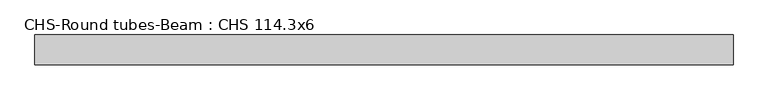
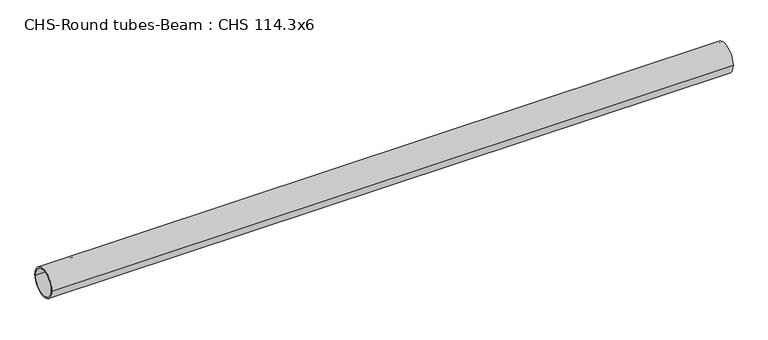
"""IFC4 building model written with IfcOpenShell, lengths in millimetres: beam geometry, CHS-Round tubes-Beam : CHS 114.3x6."""

from ifc_helpers import new_model, si_unit, point, frame, origin, origin_2d, place, context, project, spatial, circle_curve, trimmed, segment, composite_curve, outline, extrude, source, transform, mapped, element, save


def chs_round_tubes_beam_chs_114_3x6_77fe3665(model_context):
    return source(origin(), model_context, "Body", "SweptSolid", [
        extrude(outline(composite_curve([segment(trimmed(circle_curve(origin_2d(), 57.15), [point((57.15, 0.0))], [point((-57.15, 0.0))], False, "CARTESIAN"), True, "CONTINUOUS"), segment(trimmed(circle_curve(origin_2d(), 57.15), [point((-57.15, 0.0))], [point((57.15, 0.0))], False, "CARTESIAN"), True, "CONTINUOUS")], self_intersect=False), holes=[composite_curve([segment(trimmed(circle_curve(origin_2d(), 51.15), [point((51.15, 0.0))], [point((-51.15, 0.0))], True, "CARTESIAN"), True, "CONTINUOUS"), segment(trimmed(circle_curve(origin_2d(), 51.15), [point((-51.15, 0.0))], [point((51.15, 0.0))], True, "CARTESIAN"), True, "CONTINUOUS")], self_intersect=False)]), frame((-1297.1858838, 0.0, 0.0), z_axis=(1.0, 0.0, 0.0), x_axis=(0.0, 1.0, 0.0)), (0.0, 0.0, 1.0), 2674.3849327),
    ])


if __name__ == "__main__":
    model = new_model("IFC4")
    model_context = context("Model", 3, world=origin())
    ifc_project = project(units=[si_unit("LENGTHUNIT", "METRE", prefix="MILLI")], contexts=[model_context])
    site = spatial("IfcSite", under=ifc_project)
    building = spatial("IfcBuilding", under=site)
    placement = place(None, origin())
    chs_round_tubes_beam_chs_114_3x6_shape = chs_round_tubes_beam_chs_114_3x6_77fe3665(model_context)
    element("IfcBeam", 1, ObjectType="CHS-Round tubes-Beam : CHS 114.3x6", at=placement, inside=building, context=model_context, shape_type="MappedRepresentation", body=[
        mapped(chs_round_tubes_beam_chs_114_3x6_shape, transform((0.0, 0.0, 0.0), x_axis=(1.0, 0.0, 0.0), y_axis=(0.0, 1.0, 0.0), z_axis=(0.0, 0.0, 1.0))),
    ])
    save(model, "model.ifc")
